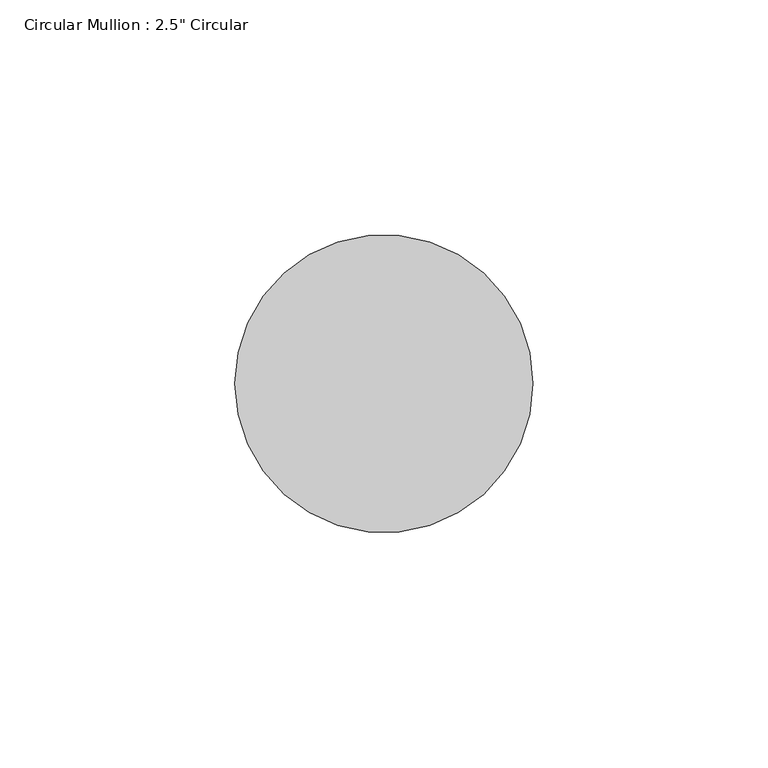
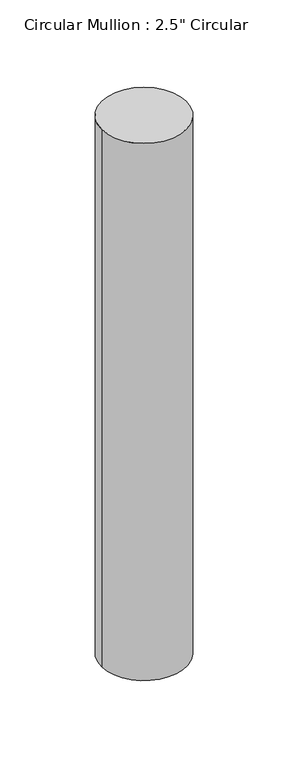
"""IFC4 building model written with IfcOpenShell, lengths in millimetres: member geometry."""

from ifc_helpers import new_model, si_unit, point, frame, frame_2d, origin, place, context, project, spatial, circle_curve, trimmed, segment, composite_curve, outline, extrude, source, transform, mapped, element, save


def member_704916dc(model_context):
    return source(origin(), model_context, "Body", "SweptSolid", [
        extrude(outline(composite_curve([segment(trimmed(circle_curve(frame_2d((-31.75, 0.0)), 31.75), [point((0.0, 0.0))], [point((-63.5, 0.0))], False, "CARTESIAN"), True, "CONTINUOUS"), segment(trimmed(circle_curve(frame_2d((-31.75, 0.0)), 31.75), [point((-63.5, 0.0))], [point((0.0, 0.0))], False, "CARTESIAN"), True, "CONTINUOUS")], self_intersect=False)), frame((0.0, 0.0, -425.45), z_axis=(0.0, 0.0, 1.0), x_axis=(1.0, 0.0, 0.0)), (0.0, 0.0, 1.0), 425.45),
    ])


if __name__ == "__main__":
    model = new_model("IFC4")
    model_context = context("Model", 3, world=origin())
    ifc_project = project(units=[si_unit("LENGTHUNIT", "METRE", prefix="MILLI")], contexts=[model_context])
    site = spatial("IfcSite", under=ifc_project)
    building = spatial("IfcBuilding", under=site)
    placement = place(None, origin())
    member_shape = member_704916dc(model_context)
    element("IfcMember", 1, ObjectType="Circular Mullion : 2.5\" Circular", at=placement, inside=building, context=model_context, shape_type="MappedRepresentation", body=[
        mapped(member_shape, transform((0.0, 0.0, 0.0), x_axis=(1.0, 0.0, 0.0), y_axis=(0.0, 1.0, 0.0), z_axis=(0.0, 0.0, 1.0))),
    ])
    save(model, "model.ifc")
